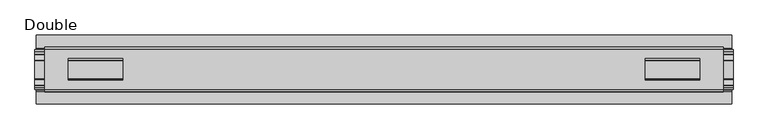
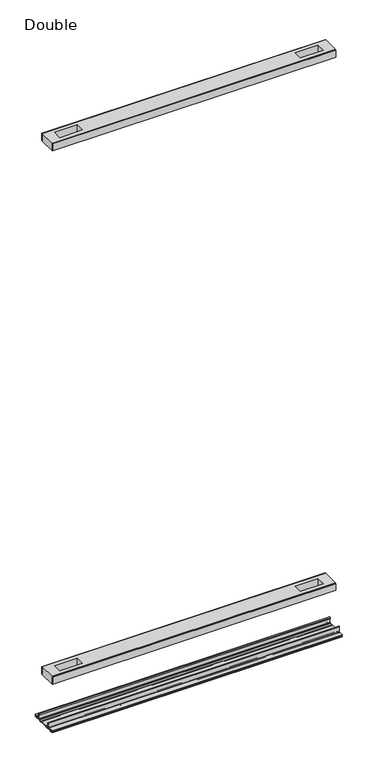
"""IFC4 building model written with IfcOpenShell, lengths in millimetres: proxy geometry, Double."""

from ifc_helpers import new_model, si_unit, point, frame, frame_2d, origin, place, context, project, spatial, polyline, circle_curve, trimmed, segment, composite_curve, outline, extrude, source, transform, mapped, element, save


def double_fd8da588(model_context):
    return source(origin(), model_context, "Body", "SweptSolid", [
        extrude(outline(polyline([(492.0615091, 29.0068005), (-492.0615091, 29.0068005), (-492.0615091, 32.1817997), (492.0615091, 32.1817997), (492.0615091, 29.0068005)])), frame((0.0, 0.0, 2110.0851593), z_axis=(0.0, 0.0, 1.0), x_axis=(1.0, 0.0, 0.0)), (0.0, 0.0, 1.0), 25.3999939),
        extrude(outline(polyline([(492.0615091, -32.1817997), (-492.0615091, -32.1817997), (-492.0615091, -29.0068005), (492.0615091, -29.0068005), (492.0615091, -32.1817997)])), frame((0.0, 0.0, 2110.0851593), z_axis=(0.0, 0.0, 1.0), x_axis=(1.0, 0.0, 0.0)), (0.0, 0.0, 1.0), 25.3999939),
        extrude(outline(polyline([(492.0615091, -29.0068005), (-492.0615091, -29.0068005), (-492.0615091, 29.0068005), (492.0615091, 29.0068005), (492.0615091, -29.0068005)]), holes=[polyline([(457.6444965, -15.1130038), (457.6444965, 15.875003), (378.5996847, 15.875003), (378.5996847, -15.1130038), (457.6444965, -15.1130038)]), polyline([(-457.6444965, -15.1130038), (-378.5996847, -15.1130038), (-378.5996847, 15.875003), (-457.6444965, 15.875003), (-457.6444965, -15.1130038)])]), frame((0.0, 0.0, 2108.7851569), z_axis=(0.0, 0.0, 1.0), x_axis=(1.0, 0.0, 0.0)), (0.0, 0.0, 1.0), 27.9999988),
        extrude(outline(polyline([(492.0615091, 29.0068005), (-492.0615091, 29.0068005), (-492.0615091, 32.1817997), (492.0615091, 32.1817997), (492.0615091, 29.0068005)])), frame((0.0, 0.0, 149.8401622), z_axis=(0.0, 0.0, 1.0), x_axis=(1.0, 0.0, 0.0)), (0.0, 0.0, 1.0), 25.3999939),
        extrude(outline(polyline([(492.0615091, -32.1817997), (-492.0615091, -32.1817997), (-492.0615091, -29.0068005), (492.0615091, -29.0068005), (492.0615091, -32.1817997)])), frame((0.0, 0.0, 149.8401622), z_axis=(0.0, 0.0, 1.0), x_axis=(1.0, 0.0, 0.0)), (0.0, 0.0, 1.0), 25.3999939),
        extrude(outline(polyline([(492.0615091, -29.0068005), (-492.0615091, -29.0068005), (-492.0615091, 29.0068005), (492.0615091, 29.0068005), (492.0615091, -29.0068005)]), holes=[polyline([(457.6444965, -15.1130038), (457.6444965, 15.875003), (378.5996847, 15.875003), (378.5996847, -15.1130038), (457.6444965, -15.1130038)]), polyline([(-457.6444965, -15.1130038), (-378.5996847, -15.1130038), (-378.5996847, 15.875003), (-457.6444965, 15.875003), (-457.6444965, -15.1130038)])]), frame((0.0, 0.0, 148.4185847), z_axis=(0.0, 0.0, 1.0), x_axis=(1.0, 0.0, 0.0)), (0.0, 0.0, 1.0), 27.9999988),
        extrude(outline(composite_curve([segment(trimmed(circle_curve(frame_2d((26.6420561, -7.7516037)), 2.17424), [point((28.8162961, -7.7516037))], [point((26.6420561, -9.9258438))], False, "CARTESIAN"), True, "CONTINUOUS"), segment(polyline([(26.6420561, -9.9258438), (22.3510694, -9.9258438)]), True, "CONTINUOUS"), segment(trimmed(circle_curve(frame_2d((17.7706549, -6.4800016)), 5.7318431), [point((22.3510694, -9.9258438))], [point((13.1902404, -9.9258438))], False, "CARTESIAN"), True, "CONTINUOUS"), segment(polyline([(13.1902404, -9.9258438), (-13.57124, -9.9258438)]), True, "CONTINUOUS"), segment(trimmed(circle_curve(frame_2d((-18.1516545, -6.4800016)), 5.7318431), [point((-13.57124, -9.9258438))], [point((-22.732069, -9.9258438))], False, "CARTESIAN"), True, "CONTINUOUS"), segment(polyline([(-22.732069, -9.9258438), (-27.0230557, -9.9258438)]), True, "CONTINUOUS"), segment(trimmed(circle_curve(frame_2d((-27.0230557, -7.7516037)), 2.17424), [point((-27.0230557, -9.9258438))], [point((-29.1972958, -7.7516037))], False, "CARTESIAN"), True, "CONTINUOUS"), segment(polyline([(-29.1972958, -7.7516037), (-29.1972958, 9.8607558)]), True, "CONTINUOUS"), segment(trimmed(circle_curve(frame_2d((-27.9780978, 9.8607558)), 1.2191979), [point((-29.1972958, 9.8607558))], [point((-26.7588999, 9.8607558))], False, "CARTESIAN"), True, "CONTINUOUS"), segment(polyline([(-26.7588999, 9.8607558), (-26.7588999, 5.9999563), (-28.0390765, 5.9999563), (-28.0390765, -7.7516037)]), True, "CONTINUOUS"), segment(trimmed(circle_curve(frame_2d((-27.0230557, -7.7516037)), 1.0160208), [point((-28.0390765, -7.7516037))], [point((-27.0295728, -8.7676036))], True, "CARTESIAN"), True, "CONTINUOUS"), segment(polyline([(-27.0295728, -8.7676036), (-23.0866222, -8.7676036), (-22.1732605, -8.968753)]), True, "CONTINUOUS"), segment(trimmed(circle_curve(frame_2d((-18.1483018, -6.1259382)), 4.9276657), [point((-22.1732605, -8.968753))], [point((-14.123343, -8.968753))], True, "CARTESIAN"), True, "CONTINUOUS"), segment(polyline([(-14.123343, -8.968753), (-13.2099722, -8.7676036), (12.8289726, -8.7676036), (13.7423434, -8.968753)]), True, "CONTINUOUS"), segment(trimmed(circle_curve(frame_2d((17.7673021, -6.1259382)), 4.9276657), [point((13.7423434, -8.968753))], [point((21.7922609, -8.968753))], True, "CARTESIAN"), True, "CONTINUOUS"), segment(polyline([(21.7922609, -8.968753), (22.7056226, -8.7676036), (26.6485732, -8.7676036)]), True, "CONTINUOUS"), segment(trimmed(circle_curve(frame_2d((26.6420561, -7.7516037)), 1.0160208), [point((26.6485732, -8.7676036))], [point((27.6580769, -7.7516037))], True, "CARTESIAN"), True, "CONTINUOUS"), segment(polyline([(27.6580769, -7.7516037), (27.6580769, 5.9999563), (26.3779003, 5.9999563), (26.3779003, 9.8607558)]), True, "CONTINUOUS"), segment(trimmed(circle_curve(frame_2d((27.5970982, 9.8607558)), 1.2191979), [point((26.3779003, 9.8607558))], [point((28.8162961, 9.8607558))], False, "CARTESIAN"), True, "CONTINUOUS"), segment(polyline([(28.8162961, 9.8607558), (28.8162961, -7.7516037)]), True, "CONTINUOUS")], self_intersect=False)), frame((-506.1204, 0.0, 0.0), z_axis=(1.0, 0.0, 0.0), x_axis=(0.0, 1.0, 0.0)), (0.0, 0.0, 1.0), 1012.2408),
        extrude(outline(composite_curve([segment(polyline([(50.2668422, -13.9898438), (39.6557522, -13.9898438)]), True, "CONTINUOUS"), segment(trimmed(circle_curve(frame_2d((39.6557522, -12.4658438)), 1.524), [point((39.6557522, -13.9898438))], [point((38.1317522, -12.4658438))], False, "CARTESIAN"), True, "CONTINUOUS"), segment(polyline([(38.1317522, -12.4658438), (38.1317522, -7.766844), (31.3054974, -7.766844), (31.3054974, -10.0528438)]), True, "CONTINUOUS"), segment(trimmed(circle_curve(frame_2d((29.7814974, -10.0528438)), 1.524), [point((31.3054974, -10.0528438))], [point((29.7814974, -11.5768438))], False, "CARTESIAN"), True, "CONTINUOUS"), segment(polyline([(29.7814974, -11.5768438), (23.2753553, -11.5768438)]), True, "CONTINUOUS"), segment(trimmed(circle_curve(frame_2d((17.7673021, -6.4968436)), 7.4930002), [point((23.2753553, -11.5768438))], [point((12.5094972, -11.8354331))], False, "CARTESIAN"), True, "CONTINUOUS"), segment(polyline([(12.5094972, -11.8354331), (-12.8904968, -11.8354331)]), True, "CONTINUOUS"), segment(trimmed(circle_curve(frame_2d((-18.1483018, -6.4968436)), 7.4930002), [point((-12.8904968, -11.8354331))], [point((-23.6563549, -11.5768438))], False, "CARTESIAN"), True, "CONTINUOUS"), segment(polyline([(-23.6563549, -11.5768438), (-30.1624971, -11.5768438)]), True, "CONTINUOUS"), segment(trimmed(circle_curve(frame_2d((-30.1624971, -10.0528438)), 1.524), [point((-30.1624971, -11.5768438))], [point((-31.686497, -10.0528438))], False, "CARTESIAN"), True, "CONTINUOUS"), segment(polyline([(-31.686497, -10.0528438), (-31.686497, -7.766844), (-38.5127519, -7.766844), (-38.5127519, -12.4658438)]), True, "CONTINUOUS"), segment(trimmed(circle_curve(frame_2d((-40.0367518, -12.4658438)), 1.524), [point((-38.5127519, -12.4658438))], [point((-40.0367518, -13.9898438))], False, "CARTESIAN"), True, "CONTINUOUS"), segment(polyline([(-40.0367518, -13.9898438), (-50.00625, -13.9898438), (-50.00625, -12.3388438), (-40.1637503, -12.3388438), (-40.1637503, -7.766844), (-50.00625, -7.766844), (-50.00625, -6.1158439), (-31.6239218, -6.1158439)]), True, "CONTINUOUS"), segment(trimmed(circle_curve(frame_2d((-31.6864982, -7.7656583)), 1.6510007), [point((-31.6239218, -6.1158439))], [point((-30.0354975, -7.7656583))], False, "CARTESIAN"), True, "CONTINUOUS"), segment(polyline([(-30.0354975, -7.7656583), (-30.0354975, -9.9258438), (-23.486834, -9.9258438)]), True, "CONTINUOUS"), segment(trimmed(circle_curve(frame_2d((-18.1483018, -5.2268471)), 7.1119966), [point((-23.486834, -9.9258438))], [point((-12.8097695, -9.9258438))], True, "CARTESIAN"), True, "CONTINUOUS"), segment(polyline([(-12.8097695, -9.9258438), (12.4287699, -9.9258438)]), True, "CONTINUOUS"), segment(trimmed(circle_curve(frame_2d((17.7673021, -5.2268471)), 7.1119966), [point((12.4287699, -9.9258438))], [point((23.1058344, -9.9258438))], True, "CARTESIAN"), True, "CONTINUOUS"), segment(polyline([(23.1058344, -9.9258438), (29.6544978, -9.9258438), (29.6544978, -7.6398436)]), True, "CONTINUOUS"), segment(trimmed(circle_curve(frame_2d((31.1784975, -7.6398436)), 1.5239997), [point((29.6544978, -7.6398436))], [point((31.1784975, -6.1158439))], False, "CARTESIAN"), True, "CONTINUOUS"), segment(polyline([(31.1784975, -6.1158439), (50.2668422, -6.1158439), (50.2240211, -7.766844), (39.7827507, -7.766844), (39.7827507, -12.3388438), (50.2240211, -12.3388438), (50.2668422, -13.9898438)]), True, "CONTINUOUS")], self_intersect=False)), frame((-504.4694, 0.0, 0.0), z_axis=(1.0, 0.0, 0.0), x_axis=(0.0, 1.0, 0.0)), (0.0, 0.0, 1.0), 1008.9388),
    ])


if __name__ == "__main__":
    model = new_model("IFC4")
    model_context = context("Model", 3, world=origin())
    ifc_project = project(units=[si_unit("LENGTHUNIT", "METRE", prefix="MILLI")], contexts=[model_context])
    site = spatial("IfcSite", under=ifc_project)
    building = spatial("IfcBuilding", under=site)
    placement = place(None, origin())
    double_shape = double_fd8da588(model_context)
    element("IfcBuildingElementProxy", 1, Name="Double", ObjectType="Double", at=placement, inside=building, context=model_context, shape_type="MappedRepresentation", body=[
        mapped(double_shape, transform((0.0, 0.0, 0.0), x_axis=(1.0, 0.0, 0.0), y_axis=(0.0, 1.0, 0.0), z_axis=(0.0, 0.0, 1.0))),
    ])
    save(model, "model.ifc")
